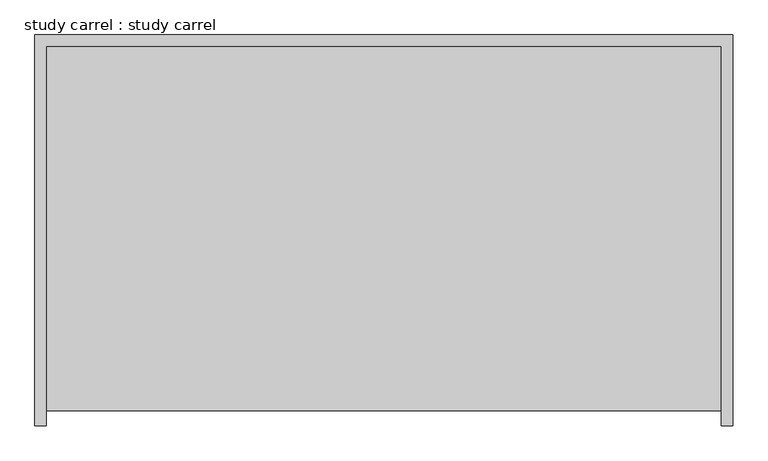
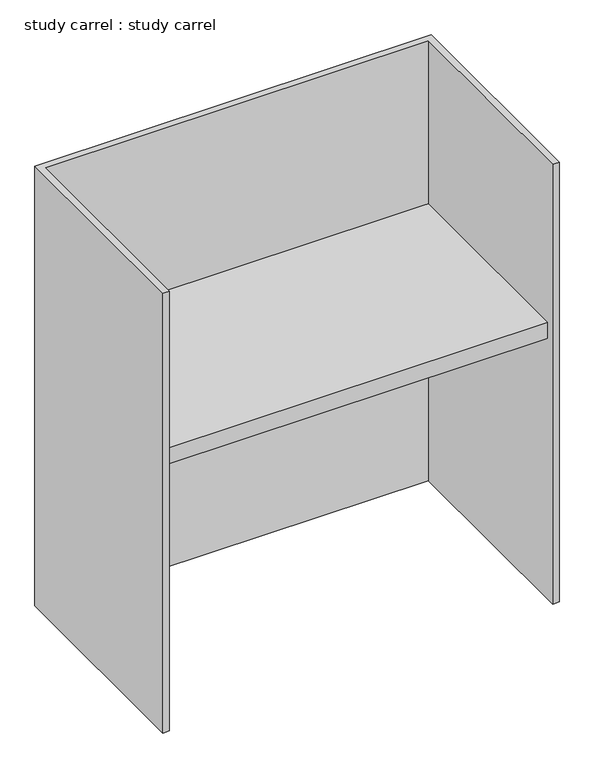
"""IFC4 building model written with IfcOpenShell, lengths in millimetres: furniture geometry, study carrel : study carrel."""

from ifc_helpers import new_model, si_unit, frame, origin, origin_with_axes, place, context, project, spatial, polyline, outline, extrude, source, transform, mapped, element, save


def study_carrel_study_carrel_0aab1346(model_context):
    return source(origin(), model_context, "Body", "SweptSolid", [
        extrude(outline(polyline([(0.0, -25.4), (-19.05, -25.4), (-19.05, 628.65), (1149.35, 628.65), (1149.35, -25.4), (1130.3, -25.4), (1130.3, 609.6), (0.0, 609.6), (0.0, -25.4)])), origin_with_axes(), (0.0, 0.0, 1.0), 1371.6),
        extrude(outline(polyline([(1130.3, 0.0), (0.0, 0.0), (0.0, 609.6), (1130.3, 609.6), (1130.3, 0.0)])), frame((0.0, 0.0, 812.8), z_axis=(0.0, 0.0, 1.0), x_axis=(1.0, 0.0, 0.0)), (0.0, 0.0, 1.0), 50.8),
    ])


if __name__ == "__main__":
    model = new_model("IFC4")
    model_context = context("Model", 3, world=origin())
    ifc_project = project(units=[si_unit("LENGTHUNIT", "METRE", prefix="MILLI")], contexts=[model_context])
    site = spatial("IfcSite", under=ifc_project)
    building = spatial("IfcBuilding", under=site)
    placement = place(None, origin())
    study_carrel_study_carrel_shape = study_carrel_study_carrel_0aab1346(model_context)
    element("IfcFurniture", 1, ObjectType="study carrel : study carrel", at=placement, inside=building, context=model_context, shape_type="MappedRepresentation", body=[
        mapped(study_carrel_study_carrel_shape, transform((0.0, 0.0, 0.0), x_axis=(1.0, 0.0, 0.0), y_axis=(0.0, 1.0, 0.0), z_axis=(0.0, 0.0, 1.0))),
    ])
    save(model, "model.ifc")
